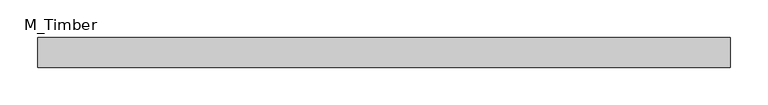
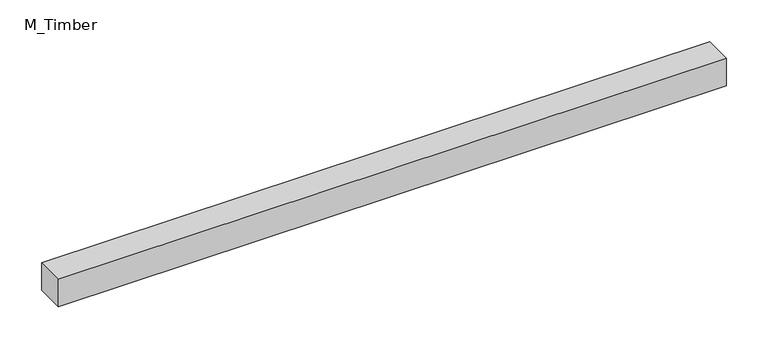
"""IFC4 building model written with IfcOpenShell, lengths in millimetres: beam geometry, M_Timber."""

from ifc_helpers import new_model, si_unit, frame, origin, place, context, project, spatial, polyline, outline, extrude, source, transform, mapped, element, save


def m_timber_b893838a(model_context):
    return source(origin(), model_context, "Body", "SweptSolid", [
        extrude(outline(polyline([(461.7877178, 20.0), (461.7877178, -20.0), (-461.7877178, -20.0), (-461.7877178, 20.0), (461.7877178, 20.0)])), frame((0.0, 0.0, -20.0), z_axis=(0.0, 0.0, 1.0), x_axis=(1.0, 0.0, 0.0)), (0.0, 0.0, 1.0), 40.0),
    ])


if __name__ == "__main__":
    model = new_model("IFC4")
    model_context = context("Model", 3, world=origin())
    ifc_project = project(units=[si_unit("LENGTHUNIT", "METRE", prefix="MILLI")], contexts=[model_context])
    site = spatial("IfcSite", under=ifc_project)
    building = spatial("IfcBuilding", under=site)
    placement = place(None, origin())
    m_timber_shape = m_timber_b893838a(model_context)
    element("IfcBeam", 1, ObjectType="M_Timber", at=placement, inside=building, context=model_context, shape_type="MappedRepresentation", body=[
        mapped(m_timber_shape, transform((0.0, 0.0, 0.0), x_axis=(1.0, 0.0, 0.0), y_axis=(0.0, 1.0, 0.0), z_axis=(0.0, 0.0, 1.0))),
    ])
    save(model, "model.ifc")
